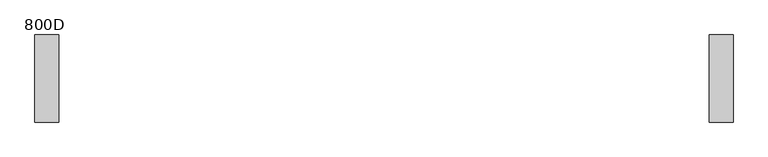
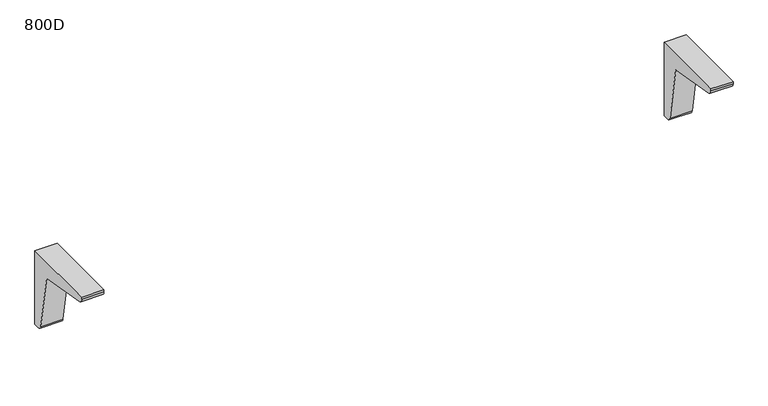
"""IFC4 building model written with IfcOpenShell, lengths in millimetres: furniture geometry, 800D."""

from ifc_helpers import new_model, si_unit, point, frame, frame_2d, origin, place, context, project, spatial, polyline, circle_curve, trimmed, segment, composite_curve, outline, extrude, source, transform, mapped, element, save


def furniture_800d_98503470(model_context):
    return source(origin(), model_context, "Body", "SweptSolid", [
        extrude(outline(composite_curve([segment(polyline([(0.0, 711.0), (0.0, 535.0), (-13.6, 535.0)]), True, "CONTINUOUS"), segment(trimmed(circle_curve(frame_2d((-13.6, 545.0)), 10.0), [point((-13.6, 535.0))], [point((-23.4480775, 543.2635182))], False, "CARTESIAN"), True, "CONTINUOUS"), segment(polyline([(-23.4480775, 543.2635182), (-46.2755353, 672.7244647), (-175.7393463, 695.5524276)]), True, "CONTINUOUS"), segment(trimmed(circle_curve(frame_2d((-173.2638671, 706.0)), 10.7368416), [point((-175.7393463, 695.5524276))], [point((-184.0007087, 706.0))], False, "CARTESIAN"), True, "CONTINUOUS"), segment(polyline([(-184.0007087, 706.0), (-184.0007087, 711.0), (0.0, 711.0)]), True, "CONTINUOUS")], self_intersect=False)), frame((686.9, 0.0, 0.0), z_axis=(1.0, 0.0, 0.0), x_axis=(0.0, 1.0, 0.0)), (0.0, 0.0, 1.0), 50.0),
        extrude(outline(composite_curve([segment(polyline([(0.0, 711.0), (0.0, 535.0), (-13.6, 535.0)]), True, "CONTINUOUS"), segment(trimmed(circle_curve(frame_2d((-13.6, 545.0)), 10.0), [point((-13.6, 535.0))], [point((-23.4480775, 543.2635182))], False, "CARTESIAN"), True, "CONTINUOUS"), segment(polyline([(-23.4480775, 543.2635182), (-46.2755353, 672.7244647), (-175.7393463, 695.5524276)]), True, "CONTINUOUS"), segment(trimmed(circle_curve(frame_2d((-173.2638671, 706.0)), 10.7368416), [point((-175.7393463, 695.5524276))], [point((-184.0007087, 706.0))], False, "CARTESIAN"), True, "CONTINUOUS"), segment(polyline([(-184.0007087, 706.0), (-184.0007087, 711.0), (0.0, 711.0)]), True, "CONTINUOUS")], self_intersect=False)), frame((-736.9, 0.0, 0.0), z_axis=(1.0, 0.0, 0.0), x_axis=(0.0, 1.0, 0.0)), (0.0, 0.0, 1.0), 50.0),
    ])


if __name__ == "__main__":
    model = new_model("IFC4")
    model_context = context("Model", 3, world=origin())
    ifc_project = project(units=[si_unit("LENGTHUNIT", "METRE", prefix="MILLI")], contexts=[model_context])
    site = spatial("IfcSite", under=ifc_project)
    building = spatial("IfcBuilding", under=site)
    placement = place(None, origin())
    furniture_800d_shape = furniture_800d_98503470(model_context)
    element("IfcFurniture", 1, ObjectType="800D", at=placement, inside=building, context=model_context, shape_type="MappedRepresentation", body=[
        mapped(furniture_800d_shape, transform((0.0, 0.0, 0.0), x_axis=(1.0, 0.0, 0.0), y_axis=(0.0, 1.0, 0.0), z_axis=(0.0, 0.0, 1.0))),
    ])
    save(model, "model.ifc")
